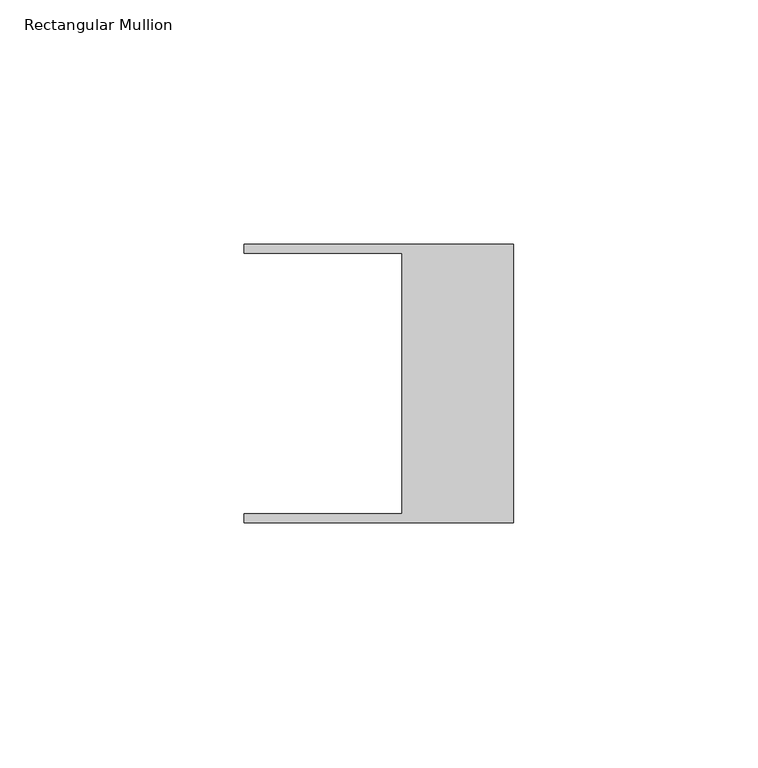
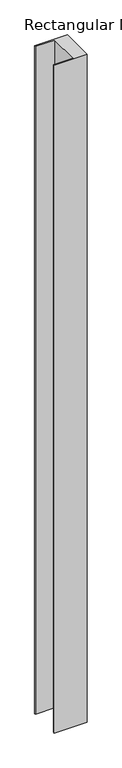
"""IFC4 building model written with IfcOpenShell, lengths in millimetres: member geometry, Rectangular Mullion."""

from ifc_helpers import new_model, si_unit, frame, origin, place, context, project, spatial, polyline, outline, extrude, source, transform, mapped, element, save


def rectangular_mullion_fd81ddf5(model_context):
    return source(origin(), model_context, "Body", "SweptSolid", [
        extrude(outline(polyline([(-55.118, 26.67), (-55.118, 28.448), (0.0, 28.448), (0.0, -28.448), (-55.118, -28.448), (-55.118, -26.67), (-22.86, -26.67), (-22.86, 26.67), (-55.118, 26.67)])), frame((0.0, 0.0, -1185.8634395), z_axis=(0.0, 0.0, 1.0), x_axis=(1.0, 0.0, 0.0)), (0.0, 0.0, 1.0), 1185.8634395),
    ])


if __name__ == "__main__":
    model = new_model("IFC4")
    model_context = context("Model", 3, world=origin())
    ifc_project = project(units=[si_unit("LENGTHUNIT", "METRE", prefix="MILLI")], contexts=[model_context])
    site = spatial("IfcSite", under=ifc_project)
    building = spatial("IfcBuilding", under=site)
    placement = place(None, origin())
    rectangular_mullion_shape = rectangular_mullion_fd81ddf5(model_context)
    element("IfcMember", 1, ObjectType="Rectangular Mullion", at=placement, inside=building, context=model_context, shape_type="MappedRepresentation", body=[
        mapped(rectangular_mullion_shape, transform((0.0, 0.0, 0.0), x_axis=(1.0, 0.0, 0.0), y_axis=(0.0, 1.0, 0.0), z_axis=(0.0, 0.0, 1.0))),
    ])
    save(model, "model.ifc")
